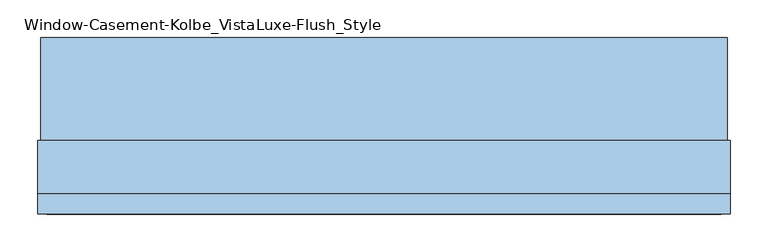
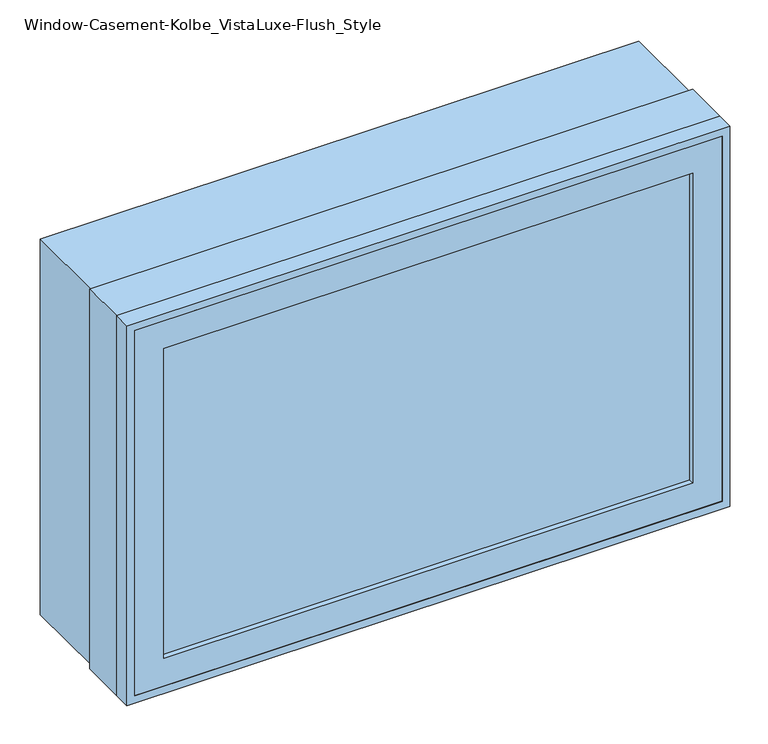
"""IFC4 building model written with IfcOpenShell, lengths in millimetres: window geometry, Window-Casement-Kolbe_VistaLuxe-Flush_Style."""

from ifc_helpers import new_model, si_unit, frame, origin, place, context, project, spatial, polyline, outline, extrude, faceted_brep, source, transform, mapped, element, save


def window_casement_kolbe_vistaluxe_flush_style_8767d08b(model_context):
    return source(origin(), model_context, "Body", "SolidModel", [
        faceted_brep([(-406.4696599, -121.37898, 970.676875), (-406.4696599, -129.31648, 970.676875), (395.3765901, -129.31648, 970.676875), (395.3765901, -121.37898, 970.676875), (-422.3446599, -99.12858, 954.801875), (-422.3446599, -121.37898, 954.801875), (411.2515901, -121.37898, 954.801875), (411.2515901, -99.12858, 954.801875), (-406.4696599, -80.10398, 970.676875), (-406.4696599, -99.12858, 970.676875), (395.3765901, -99.12858, 970.676875), (395.3765901, -80.10398, 970.676875), (-450.9196599, -129.31648, 926.226875), (-450.9196599, -80.10398, 926.226875), (439.8265901, -80.10398, 926.226875), (439.8265901, -129.31648, 926.226875), (395.3765901, -129.31648, 1467.723125), (395.3765901, -121.37898, 1467.723125), (411.2515901, -121.37898, 1483.598125), (411.2515901, -99.12858, 1483.598125), (395.3765901, -99.12858, 1467.723125), (395.3765901, -80.10398, 1467.723125), (439.8265901, -80.10398, 1512.173125), (439.8265901, -129.31648, 1512.173125), (-406.4696599, -129.31648, 1467.723125), (-406.4696599, -121.37898, 1467.723125), (-422.3446599, -121.37898, 1483.598125), (-422.3446599, -99.12858, 1483.598125), (-406.4696599, -99.12858, 1467.723125), (-406.4696599, -80.10398, 1467.723125), (-450.9196599, -80.10398, 1512.173125), (-450.9196599, -129.31648, 1512.173125)], [[[0, 1, 2, 3]], [[4, 5, 6, 7]], [[8, 9, 10, 11]], [[12, 13, 14, 15]], [[3, 2, 16, 17]], [[7, 6, 18, 19]], [[11, 10, 20, 21]], [[15, 14, 22, 23]], [[17, 16, 24, 25]], [[19, 18, 26, 27]], [[21, 20, 28, 29]], [[23, 22, 30, 31]], [[25, 24, 1, 0]], [[5, 26, 18, 6], [3, 17, 25, 0]], [[27, 26, 5, 4]], [[7, 19, 27, 4], [9, 28, 20, 10]], [[29, 28, 9, 8]], [[13, 30, 22, 14], [11, 21, 29, 8]], [[31, 30, 13, 12]], [[15, 23, 31, 12], [1, 24, 16, 2]]]),
        extrude(outline(polyline([(1520.4186, 448.0720651), (1520.4186, -459.1651349), (917.9814, -459.1651349), (917.9814, 448.0720651), (1520.4186, 448.0720651)]), holes=[polyline([(936.545625, 429.5078401), (936.545625, -440.6009099), (1501.854375, -440.6009099), (1501.854375, 429.5078401), (936.545625, 429.5078401)])]), frame((0.0, -32.5247, 0.0), z_axis=(0.0, 1.0, 0.0), x_axis=(0.0, 0.0, 1.0)), (0.0, 0.0, 1.0), 135.7122),
        extrude(outline(polyline([(1524.0, -462.7465349), (914.4, -462.7465349), (914.4, 451.6534651), (1524.0, 451.6534651), (1524.0, -462.7465349)]), holes=[polyline([(1512.173125, 439.8265901), (926.226875, 439.8265901), (926.226875, -450.9196599), (1512.173125, -450.9196599), (1512.173125, 439.8265901)])]), frame((0.0, -130.1115, 0.0), z_axis=(0.0, 1.0, 0.0), x_axis=(0.0, 0.0, 1.0)), (0.0, 0.0, 1.0), 26.924),
        faceted_brep([(451.6534651, -32.5247, 914.4), (451.6534651, -103.1875, 914.4), (-462.7465349, -103.1875, 914.4), (-462.7465349, -32.5247, 914.4), (429.5078401, -80.10525, 936.545625), (429.5078401, -32.5247, 936.545625), (-440.6009099, -32.5247, 936.545625), (-440.6009099, -80.10525, 936.545625), (439.8265901, -103.1875, 926.226875), (439.8265901, -80.10525, 926.226875), (-450.9196599, -80.10525, 926.226875), (-450.9196599, -103.1875, 926.226875), (-462.7465349, -103.1875, 1524.0), (-462.7465349, -32.5247, 1524.0), (-440.6009099, -32.5247, 1501.854375), (-440.6009099, -80.10525, 1501.854375), (-450.9196599, -80.10525, 1512.173125), (-450.9196599, -103.1875, 1512.173125), (451.6534651, -103.1875, 1524.0), (451.6534651, -32.5247, 1524.0), (429.5078401, -32.5247, 1501.854375), (429.5078401, -80.10525, 1501.854375), (439.8265901, -80.10525, 1512.173125), (439.8265901, -103.1875, 1512.173125)], [[[0, 1, 2, 3]], [[4, 5, 6, 7]], [[8, 9, 10, 11]], [[3, 2, 12, 13]], [[7, 6, 14, 15]], [[11, 10, 16, 17]], [[13, 12, 18, 19]], [[15, 14, 20, 21]], [[17, 16, 22, 23]], [[19, 18, 1, 0]], [[3, 13, 19, 0], [5, 20, 14, 6]], [[21, 20, 5, 4]], [[9, 22, 16, 10], [7, 15, 21, 4]], [[23, 22, 9, 8]], [[1, 18, 12, 2], [11, 17, 23, 8]]]),
        extrude(outline(polyline([(408.0765901, -102.30358), (-419.1696599, -102.30358), (-419.1696599, -99.12858), (408.0765901, -99.12858), (408.0765901, -102.30358)])), frame((0.0, 0.0, 957.976875), z_axis=(0.0, 0.0, 1.0), x_axis=(1.0, 0.0, 0.0)), (0.0, 0.0, 1.0), 522.44625),
        extrude(outline(polyline([(408.0765901, -118.20398), (408.0765901, -121.37898), (-419.1696599, -121.37898), (-419.1696599, -118.20398), (408.0765901, -118.20398)])), frame((0.0, 0.0, 957.976875), z_axis=(0.0, 0.0, 1.0), x_axis=(1.0, 0.0, 0.0)), (0.0, 0.0, 1.0), 522.44625),
        extrude(outline(polyline([(936.545625, 429.5078401), (1501.854375, 429.5078401), (1501.854375, -440.6009099), (936.545625, -440.6009099), (936.545625, 429.5078401)]), holes=[polyline([(954.801875, -422.3446599), (1483.598125, -422.3446599), (1483.598125, 411.2515901), (954.801875, 411.2515901), (954.801875, -422.3446599)])]), frame((0.0, -80.10525, 0.0), z_axis=(0.0, 1.0, 0.0), x_axis=(0.0, 0.0, 1.0)), (0.0, 0.0, 1.0), 50.8),
    ])


if __name__ == "__main__":
    model = new_model("IFC4")
    model_context = context("Model", 3, world=origin())
    ifc_project = project(units=[si_unit("LENGTHUNIT", "METRE", prefix="MILLI")], contexts=[model_context])
    site = spatial("IfcSite", under=ifc_project)
    building = spatial("IfcBuilding", under=site)
    placement = place(None, origin())
    window_casement_kolbe_vistaluxe_flush_style_shape = window_casement_kolbe_vistaluxe_flush_style_8767d08b(model_context)
    element("IfcWindow", 1, ObjectType="Window-Casement-Kolbe_VistaLuxe-Flush_Style", at=placement, inside=building, context=model_context, shape_type="MappedRepresentation", body=[
        mapped(window_casement_kolbe_vistaluxe_flush_style_shape, transform((0.0, 0.0, 0.0), x_axis=(1.0, 0.0, 0.0), y_axis=(0.0, 1.0, 0.0), z_axis=(0.0, 0.0, 1.0))),
    ])
    save(model, "model.ifc")
